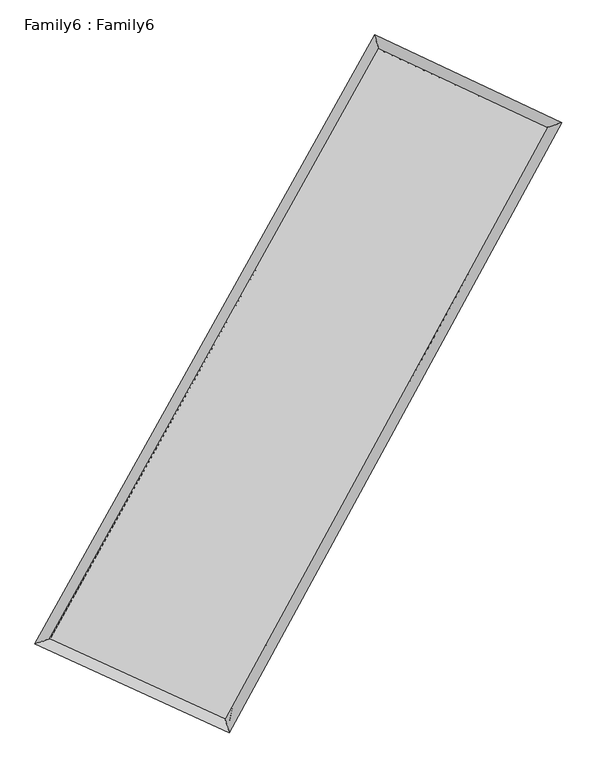
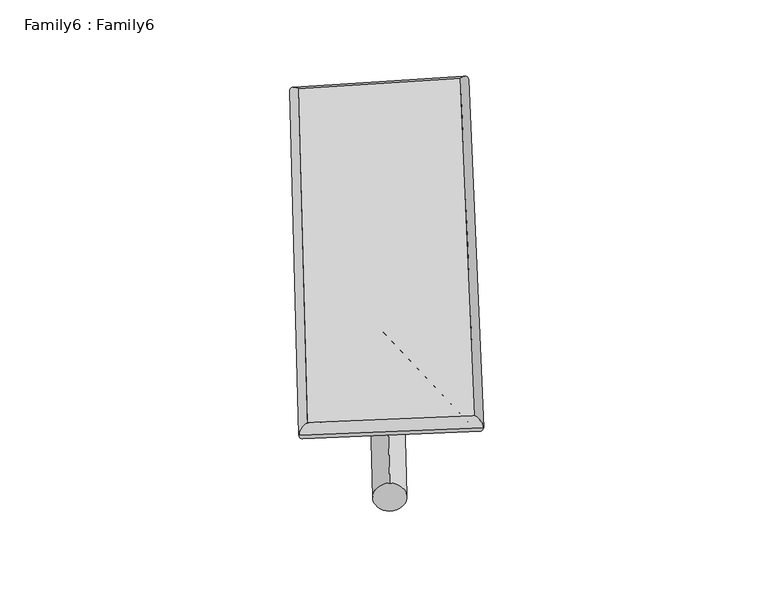
"""IFC4 building model written with IfcOpenShell, lengths in millimetres: plate geometry, Family6 : Family6."""

from ifc_helpers import new_model, si_unit, point, frame, origin, origin_2d, place, context, project, spatial, circle_curve, ellipse_curve, trimmed, segment, composite_curve, outline, extrude, source, transform, mapped, element, save
from ifc_brep_helpers import plane_surface, cylinder_surface, spline_surface, advanced_brep


def family6_family6_b4ae8f48(model_context):
    return source(origin(), model_context, "Body", "SolidModel", [
        extrude(outline(composite_curve([segment(trimmed(circle_curve(origin_2d(), 76.2), [point((-75.4341514, -10.7763074))], [point((75.4341514, 10.7763074))], False, "CARTESIAN"), True, "CONTINUOUS"), segment(trimmed(circle_curve(origin_2d(), 76.2), [point((75.4341514, 10.7763074))], [point((-75.4341514, -10.7763074))], False, "CARTESIAN"), True, "CONTINUOUS")], self_intersect=False)), frame((9144.0, 9144.0, 0.0), z_axis=(0.6691477306002703, 0.6922451411927057, 0.270255396111898), x_axis=(-0.6837273693077963, 0.7159776360771557, -0.14104222451737147)), (0.0, 0.0, 1.0), 5730.5533795),
        extrude(outline(composite_curve([segment(trimmed(circle_curve(origin_2d(), 76.2), [point((-53.8815367, 53.8815367))], [point((53.8815367, -53.8815367))], False, "CARTESIAN"), True, "CONTINUOUS"), segment(trimmed(circle_curve(origin_2d(), 76.2), [point((53.8815367, -53.8815367))], [point((-53.8815367, 53.8815367))], False, "CARTESIAN"), True, "CONTINUOUS")], self_intersect=False)), frame((9144.0, 9144.0, 0.0), z_axis=(-0.6752197203169054, -0.6869096888960733, 0.2687627366207231), x_axis=(0.6384532814046904, -0.36179250213587133, 0.6793258370339293)), (0.0, 0.0, 1.0), 5760.5080163),
        extrude(outline(composite_curve([segment(trimmed(circle_curve(origin_2d(), 76.2), [point((-53.8815368, -53.8815367))], [point((53.8815368, 53.8815367))], False, "CARTESIAN"), True, "CONTINUOUS"), segment(trimmed(circle_curve(origin_2d(), 76.2), [point((53.8815368, 53.8815367))], [point((-53.8815368, -53.8815367))], False, "CARTESIAN"), True, "CONTINUOUS")], self_intersect=False)), frame((9144.0, 9144.0, 0.0), z_axis=(0.218698413181415, 0.9376096012121456, 0.2702947276339892), x_axis=(-0.8489319168974107, 0.3194000091060824, -0.42106796916403233)), (0.0, 0.0, 1.0), 5540.2125162),
        extrude(outline(composite_curve([segment(trimmed(circle_curve(origin_2d(), 76.2), [point((-75.4341514, 10.7763074))], [point((75.4341514, -10.7763074))], False, "CARTESIAN"), True, "CONTINUOUS"), segment(trimmed(circle_curve(origin_2d(), 76.2), [point((75.4341514, -10.7763074))], [point((-75.4341514, 10.7763074))], False, "CARTESIAN"), True, "CONTINUOUS")], self_intersect=False)), frame((9144.0, 9144.0, 0.0), z_axis=(-0.20953860070658464, -0.9396391728691149, 0.2705028643540992), x_axis=(0.8964608223007504, -0.07414212392388003, 0.4368763435343216)), (0.0, 0.0, 1.0), 5538.7376128),
        advanced_brep(
        [(5041.0137981, 5117.1527237, 1544.9154275), (5040.9441456, 5117.0608817, 1552.449815), (5467.7689787, 5256.9497376, 1551.50437), (10419.582883, 14140.3805511, 1502.270432), (10291.688489, 14536.7323448, 1492.7100342), (5467.8386312, 5257.0415796, 1543.9699825), (12767.2779726, 13041.5987446, 1548.1177892), (13189.8956053, 13180.296722, 1549.3081578), (7917.5443067, 4137.257081, 1499.1185794), (8049.2970351, 3741.9132605, 1497.3701989)],
        [
            (0, 1, ellipse_curve(frame((5254.3913884, 5187.0512307, 1548.2098988), z_axis=(-0.3114134831409088, 0.9502346445265449, 0.008704186323691455), x_axis=(-0.9501293752308694, -0.3115129395988377, 0.014623911442861265)), 224.6718059, 152.4)),
            (1, 2, ellipse_curve(frame((5254.3913884, 5187.0512307, 1548.2098988), z_axis=(-0.3114134831409088, 0.9502346445265449, 0.008704186323691455), x_axis=(-0.9501293752308694, -0.3115129395988377, 0.014623911442861265)), 224.6718059, 152.4)),
            (2, 3),
            (3, 4, ellipse_curve(frame((10355.635686, 14338.556448, 1497.4902331), z_axis=(-0.9515827180031873, -0.30726745924398124, -0.008777202710142186), x_axis=(0.3070993434759953, -0.9515340335072041, 0.01652199485908715)), 208.2962722, 152.4)),
            (4, 0),
            (2, 5, ellipse_curve(frame((5254.3913884, 5187.0512307, 1548.2098988), z_axis=(-0.3114134831409088, 0.9502346445265449, 0.008704186323691455), x_axis=(-0.9501293752308694, -0.3115129395988377, 0.014623911442861265)), 224.6718059, 152.4)),
            (5, 0, ellipse_curve(frame((5254.3913884, 5187.0512307, 1548.2098988), z_axis=(-0.3114134831409088, 0.9502346445265449, 0.008704186323691455), x_axis=(-0.9501293752308694, -0.3115129395988377, 0.014623911442861265)), 224.6718059, 152.4)),
            (4, 3, ellipse_curve(frame((10355.635686, 14338.556448, 1497.4902331), z_axis=(-0.9515827180031873, -0.30726745924398124, -0.008777202710142186), x_axis=(0.3070993434759953, -0.9515340335072041, 0.01652199485908715)), 208.2962722, 152.4)),
            (3, 6),
            (6, 7, ellipse_curve(frame((12978.586789, 13110.9477333, 1548.7129735), z_axis=(-0.31178677887378814, 0.9501058098231678, -0.009378414565895546), x_axis=(-0.9499888674403816, -0.3119009812464705, -0.015457348958665082)), 222.4189369, 152.4)),
            (7, 4),
            (7, 6, ellipse_curve(frame((12978.586789, 13110.9477333, 1548.7129735), z_axis=(-0.31178677887378814, 0.9501058098231678, -0.009378414565895546), x_axis=(-0.9499888674403816, -0.3119009812464705, -0.015457348958665082)), 222.4189369, 152.4)),
            (6, 8),
            (8, 9, ellipse_curve(frame((7983.4206709, 3939.5851708, 1498.2443892), z_axis=(0.9486621714838497, 0.31618795394757965, -0.008078500726647838), x_axis=(-0.31603833878957766, 0.9486156819564561, 0.015749805122992098)), 208.3739034, 152.4)),
            (9, 7),
            (9, 8, ellipse_curve(frame((7983.4206709, 3939.5851708, 1498.2443892), z_axis=(0.9486621714838497, 0.31618795394757965, -0.008078500726647838), x_axis=(-0.31603833878957766, 0.9486156819564561, 0.015749805122992098)), 208.3739034, 152.4)),
            (8, 5),
            (1, 9),
        ],
        [
            cylinder_surface(frame((5254.3913884, 5187.0512307, 1548.2098988), z_axis=(-0.48688206733682454, -0.8734543024203794, 0.004840876898697069), x_axis=(-0.8732127801322122, 0.48659859548474477, -0.026856051199803777)), 152.4),
            cylinder_surface(frame((10355.635686, 14338.556448, 1497.4902331), z_axis=(-0.9055692206130908, 0.42382973350513475, -0.017684560361109464), x_axis=(0.42408754743931215, 0.9054987793444855, -0.01489002056935785)), 152.4),
            cylinder_surface(frame((12978.586789, 13110.9477333, 1548.7129735), z_axis=(0.4783006997220041, 0.878182832645088, 0.004832503791078654), x_axis=(0.8781952665213245, -0.47830069972200406, -0.0012306522583996615)), 152.4),
            cylinder_surface(frame((7983.4206709, 3939.5851708, 1498.2443892), z_axis=(0.9093597754826783, -0.4156772752214103, -0.016649372318414426), x_axis=(-0.41556677238407014, -0.9095100219369879, 0.00978660750548304)), 152.4),
        ],
        [
            (0, [[1, 2, 3, 4, 5]]),
            (0, [[6, 7, -5, 8, -3]]),
            (1, [[-4, 9, 10, 11]]),
            (1, [[-8, -11, 12, -9]]),
            (2, [[-10, 13, 14, 15]]),
            (2, [[-12, -15, 16, -13]]),
            (3, [[-14, 17, -6, -2, 18]]),
            (3, [[-16, -18, -1, -7, -17]]),
        ],
    ),
        extrude(outline(composite_curve([segment(trimmed(circle_curve(origin_2d(), 304.8), [point((-1e-07, -304.8))], [point((-1e-07, 304.8))], False, "CARTESIAN"), True, "CONTINUOUS"), segment(trimmed(circle_curve(origin_2d(), 304.8), [point((-1e-07, 304.8))], [point((-1e-07, -304.8))], False, "CARTESIAN"), True, "CONTINUOUS")], self_intersect=False)), frame((6587.6752586, 4555.9276097, -0.0338782), z_axis=(0.48671857387598316, 0.8735588301897717, 6.450333134382869e-06), x_axis=(-0.873558830211979, 0.48671857387598316, 1.6756863428055968e-06)), (0.0, 0.0, 1.0), 10504.3237657),
        advanced_brep(
        [(5254.3913884, 5187.0512307, 1548.2098988), (7983.4206709, 3939.5851708, 1498.2443892), (7983.4333151, 3939.5813606, 1650.6443886), (5254.4040325, 5187.0474206, 1700.6098982), (12978.586789, 13110.9477333, 1548.7129735), (12978.5994331, 13110.9439232, 1701.1129729), (10355.635686, 14338.556448, 1497.4902331), (10355.6483301, 14338.5526379, 1649.8902325)],
        [
            (0, 1),
            (1, 2),
            (2, 3),
            (3, 0),
            (1, 4),
            (4, 5),
            (5, 2),
            (4, 6),
            (6, 7),
            (7, 5),
            (6, 0),
            (3, 7),
        ],
        [
            plane_surface(frame((6618.9060297, 4563.3182007, 1523.227144), z_axis=(-0.4157347223614682, -0.9094859209932098, 1.1754419981695359e-05), x_axis=(0.909359775482678, -0.4156772752214109, -0.016649372318414422))),
            plane_surface(frame((10481.0037299, 8525.266452, 1523.4786813), z_axis=(0.8781932798623948, -0.4783059230349184, -8.481889204804997e-05), x_axis=(0.4783006997220043, 0.8781828326450878, 0.004832503791078659))),
            plane_surface(frame((11667.1112375, 13724.7520906, 1523.1016033), z_axis=(0.42389622471601707, 0.9057107653741392, -1.2525935469969059e-05), x_axis=(-0.9055692206130908, 0.423829733505135, -0.017684560361109474))),
            plane_surface(frame((7805.0135372, 9762.8038393, 1522.8500659), z_axis=(-0.873464334276016, 0.48688812840696716, 8.464110744396984e-05), x_axis=(-0.4868820673368246, -0.8734543024203794, 0.004840876898697067))),
            spline_surface(1, 1, [[(7983.4333151, 3939.5813606, 1650.6443886), (5254.4040325, 5187.0474206, 1700.6098982)], [(12978.5994331, 13110.9439232, 1701.1129729), (10355.6483301, 14338.5526379, 1649.8902325)]], [2, 2], [2, 2], [0.0, 1.0], [0.0, 1.0]),
            spline_surface(1, 1, [[(10355.635686, 14338.556448, 1497.4902331), (5254.3913884, 5187.0512307, 1548.2098988)], [(12978.586789, 13110.9477333, 1548.7129735), (7983.4206709, 3939.5851708, 1498.2443892)]], [2, 2], [2, 2], [0.0, 1.0], [0.0, 1.0]),
        ],
        [
            (0, [[1, 2, 3, 4]]),
            (1, [[5, 6, 7, -2]]),
            (2, [[8, 9, 10, -6]]),
            (3, [[11, -4, 12, -9]]),
            (4, [[-3, -7, -10, -12]]),
            (5, [[-11, -8, -5, -1]]),
        ],
    ),
    ])


if __name__ == "__main__":
    model = new_model("IFC4")
    model_context = context("Model", 3, world=origin())
    ifc_project = project(units=[si_unit("LENGTHUNIT", "METRE", prefix="MILLI")], contexts=[model_context])
    site = spatial("IfcSite", under=ifc_project)
    building = spatial("IfcBuilding", under=site)
    placement = place(None, origin())
    family6_family6_shape = family6_family6_b4ae8f48(model_context)
    element("IfcPlate", 1, ObjectType="Family6 : Family6", at=placement, inside=building, context=model_context, shape_type="MappedRepresentation", body=[
        mapped(family6_family6_shape, transform((0.0, 0.0, 0.0), x_axis=(1.0, 0.0, 0.0), y_axis=(0.0, 1.0, 0.0), z_axis=(0.0, 0.0, 1.0))),
    ])
    save(model, "model.ifc")
